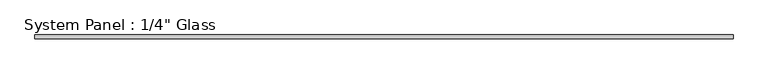
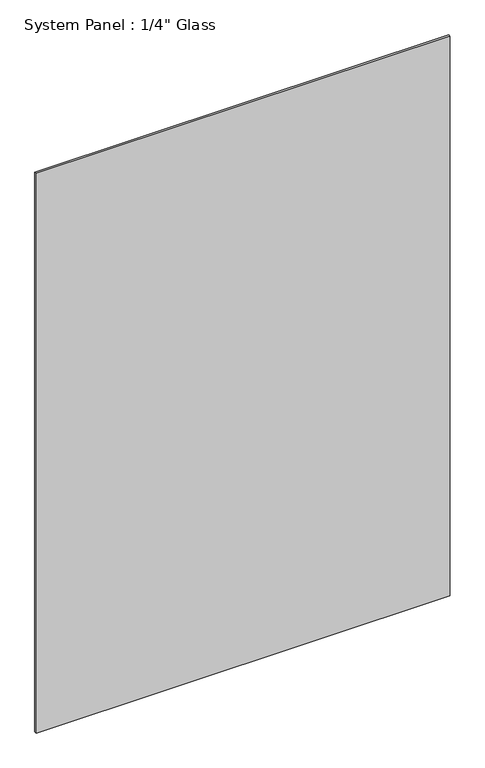
"""IFC4 building model written with IfcOpenShell, lengths in millimetres: plate geometry."""

from ifc_helpers import new_model, si_unit, origin, origin_with_axes, place, context, project, spatial, polyline, outline, extrude, source, transform, mapped, element, save


def plate_381a45a4(model_context):
    return source(origin(), model_context, "Body", "SweptSolid", [
        extrude(outline(polyline([(593.4781373, -3.175), (-593.4781373, -3.175), (-593.4781373, 3.175), (593.4781373, 3.175), (593.4781373, -3.175)])), origin_with_axes(), (0.0, 0.0, 1.0), 1695.45),
    ])


if __name__ == "__main__":
    model = new_model("IFC4")
    model_context = context("Model", 3, world=origin())
    ifc_project = project(units=[si_unit("LENGTHUNIT", "METRE", prefix="MILLI")], contexts=[model_context])
    site = spatial("IfcSite", under=ifc_project)
    building = spatial("IfcBuilding", under=site)
    placement = place(None, origin())
    plate_shape = plate_381a45a4(model_context)
    element("IfcPlate", 1, ObjectType="System Panel : 1/4\" Glass", at=placement, inside=building, context=model_context, shape_type="MappedRepresentation", body=[
        mapped(plate_shape, transform((0.0, 0.0, 0.0), x_axis=(1.0, 0.0, 0.0), y_axis=(0.0, 1.0, 0.0), z_axis=(0.0, 0.0, 1.0))),
    ])
    save(model, "model.ifc")
